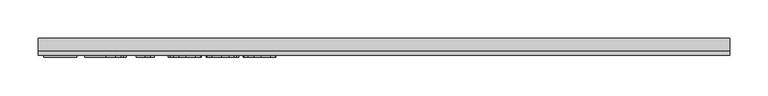
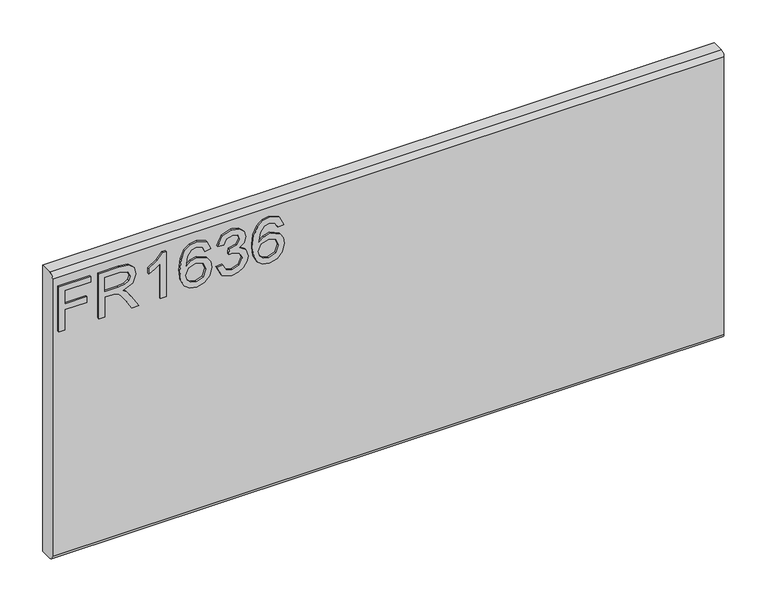
"""IFC4 building model written with IfcOpenShell, lengths in millimetres: furniture geometry."""

from ifc_helpers import new_model, si_unit, frame, origin, place, context, project, spatial, polyline, circle_curve, outline, extrude, source, transform, mapped, element, save
from ifc_brep_helpers import plane_surface, cylinder_surface, advanced_brep


def furniture_c8b4a873(model_context):
    return source(origin(), model_context, "Body", "SolidModel", [
        extrude(outline(polyline([(882.65, -443.8729953), (882.65, -435.8992757), (911.5547336, -435.8992757), (911.5547336, -405.9978271), (919.5284532, -405.9978271), (919.5284532, -435.8992757), (938.4660373, -435.8992757), (938.4660373, -401.0142524), (946.4397569, -401.0142524), (946.4397569, -443.8729953), (882.65, -443.8729953)])), frame((0.0, -15.0812439, 0.0), z_axis=(0.0, 1.0, 0.0), x_axis=(0.0, 0.0, 1.0)), (0.0, 0.0, 1.0), 2.38125),
        extrude(outline(polyline([(882.65, -390.0503879), (882.65, -382.0766683), (910.5580187, -382.0766683), (910.5580187, -372.4521395), (910.2776926, -367.8267592), (908.7592596, -364.0345703), (904.62445, -359.8218923), (895.8720468, -353.8260289), (882.65, -345.5252622), (882.65, -336.2589278), (899.936775, -346.8957452), (908.1440996, -353.3588187), (911.5547336, -357.890757), (917.4883023, -344.536334), (928.9816716, -340.2146403), (938.6295609, -342.8232302), (944.7188663, -349.8002349), (946.4397569, -362.5628584), (946.4397569, -390.0503879), (882.65, -390.0503879)]), holes=[polyline([(918.5317383, -382.0766683), (938.4660373, -382.0766683), (938.4660373, -362.2202376), (935.7094975, -351.5600597), (928.6857719, -348.1883599), (923.2739211, -349.9559716), (919.6608294, -355.1264304), (918.5317383, -364.2292412), (918.5317383, -382.0766683)])]), frame((0.0, -15.0812439, 0.0), z_axis=(0.0, 1.0, 0.0), x_axis=(0.0, 0.0, 1.0)), (0.0, 0.0, 1.0), 2.38125),
        extrude(outline(polyline([(882.65, -299.3493273), (946.4397569, -299.3493273), (946.4397569, -304.4886387), (937.9521062, -311.5824459), (930.4923177, -323.2704861), (922.9546609, -323.2704861), (926.9804549, -314.8762774), (932.3611582, -307.3230469), (882.65, -307.3230469), (882.65, -299.3493273)])), frame((0.0, -15.0812439, 0.0), z_axis=(0.0, 1.0, 0.0), x_axis=(0.0, 0.0, 1.0)), (0.0, 0.0, 1.0), 2.38125),
        extrude(outline(polyline([(929.4956028, -239.5464301), (941.938966, -245.4332778), (946.4397569, -258.0323777), (944.6215308, -267.2870318), (939.1668525, -274.4314534), (928.3081103, -279.6642069), (912.4268592, -281.4084581), (898.3015395, -279.837464), (888.8171738, -275.1244818), (883.4442572, -267.9197122), (881.653285, -258.873356), (884.355317, -248.4234227), (892.1421526, -241.1816656), (903.1449512, -238.5497152), (911.3172351, -239.9474522), (917.8309231, -244.1406631), (923.515313, -257.689757), (921.4362279, -266.403226), (915.0743833, -273.4347385), (929.2853582, -271.1687693), (936.5349021, -265.7257713), (938.4660373, -258.5307352), (935.1488454, -250.5414419), (928.4988878, -247.5201497), (929.4956028, -239.5464301)]), holes=[polyline([(903.2695406, -273.4347385), (912.15432, -269.4712392), (915.5415934, -259.8233499), (912.15432, -250.0508713), (902.8801988, -246.5234348), (893.1933754, -250.0975923), (889.6270047, -259.4963028), (891.3478953, -266.6835521), (896.3626174, -271.5892585), (903.2695406, -273.4347385)])]), frame((0.0, -15.0812439, 0.0), z_axis=(0.0, 1.0, 0.0), x_axis=(0.0, 0.0, 1.0)), (0.0, 0.0, 1.0), 2.38125),
        extrude(outline(polyline([(899.5941542, -231.5727105), (886.6524335, -225.2342264), (881.653285, -211.2490697), (883.1172101, -202.7263782), (887.5089854, -195.8155616), (894.0032063, -191.2369023), (901.7744681, -189.7106825), (912.1465331, -192.763122), (917.597318, -201.4532305), (922.8767925, -194.9122887), (930.2275653, -192.7008274), (938.2713664, -195.0290912), (944.2516562, -201.7569171), (946.4397569, -211.373659), (942.0012607, -224.0506273), (929.4956028, -230.5759955), (928.4988878, -222.6022759), (935.9742499, -218.6932845), (938.4660373, -211.093333), (935.9976105, -203.5868235), (929.7603552, -200.674547), (922.7210558, -204.6925541), (920.5251682, -215.0178981), (912.5514486, -215.9055973), (913.4235742, -210.3146494), (910.16089, -201.2507728), (901.9146312, -197.6844021), (893.162228, -201.2819202), (889.6270047, -210.9687436), (892.1966604, -219.1994288), (900.5908691, -223.5989909), (899.5941542, -231.5727105)])), frame((0.0, -15.0812439, 0.0), z_axis=(0.0, 1.0, 0.0), x_axis=(0.0, 0.0, 1.0)), (0.0, 0.0, 1.0), 2.38125),
        extrude(outline(polyline([(929.4956028, -141.8683648), (941.938966, -147.7552125), (946.4397569, -160.3543124), (944.6215308, -169.6089665), (939.1668525, -176.7533881), (928.3081103, -181.9861416), (912.4268592, -183.7303928), (898.3015395, -182.1593987), (888.8171738, -177.4464165), (883.4442572, -170.2416469), (881.653285, -161.1952907), (884.355317, -150.7453573), (892.1421526, -143.5036003), (903.1449512, -140.8716498), (911.3172351, -142.2693868), (917.8309231, -146.4625978), (923.515313, -160.0116917), (921.4362279, -168.7251607), (915.0743833, -175.7566732), (929.2853582, -173.490704), (936.5349021, -168.047706), (938.4660373, -160.8526699), (935.1488454, -152.8633766), (928.4988878, -149.8420844), (929.4956028, -141.8683648)]), holes=[polyline([(903.2695406, -175.7566732), (912.15432, -171.7931739), (915.5415934, -162.1452846), (912.15432, -152.372806), (902.8801988, -148.8453695), (893.1933754, -152.419527), (889.6270047, -161.8182375), (891.3478953, -169.0054867), (896.3626174, -173.9111931), (903.2695406, -175.7566732)])]), frame((0.0, -15.0812439, 0.0), z_axis=(0.0, 1.0, 0.0), x_axis=(0.0, 0.0, 1.0)), (0.0, 0.0, 1.0), 2.38125),
        advanced_brep(
        [(450.85, 9.5250061, 965.2), (450.85, -6.7309939, 965.2), (450.85, -12.6999939, 959.231), (450.85, -12.6999939, 564.769), (450.85, -6.7309939, 558.8), (450.85, 9.5250061, 558.8), (-450.85, 9.5250061, 965.2), (-450.85, 9.5250061, 558.8), (-450.85, -6.7309939, 558.8), (-450.85, -12.6999939, 564.769), (-450.85, -12.6999939, 959.2310121), (-450.85, -6.7309939, 965.2)],
        [
            (0, 1),
            (1, 2, circle_curve(frame((450.85, -6.7309939, 959.231), z_axis=(1.0, 0.0, 0.0), x_axis=(0.0, 1.0, 0.0)), 5.969)),
            (2, 3),
            (3, 4, circle_curve(frame((450.85, -6.7309939, 564.769), z_axis=(1.0, 0.0, 0.0), x_axis=(0.0, 1.0, 0.0)), 5.969)),
            (4, 5),
            (5, 0),
            (6, 7),
            (7, 8),
            (8, 9, circle_curve(frame((-450.85, -6.7309939, 564.769), z_axis=(-1.0, 0.0, 0.0), x_axis=(0.0, 1.0, 0.0)), 5.969)),
            (9, 10),
            (10, 11, circle_curve(frame((-450.85, -6.7309939, 959.231), z_axis=(-1.0, 0.0, 0.0), x_axis=(0.0, 1.0, 0.0)), 5.969)),
            (11, 6),
            (0, 6),
            (11, 1),
            (10, 2),
            (9, 3),
            (8, 4),
            (7, 5),
        ],
        [
            plane_surface(frame((450.85, -6.7309939, 965.2), z_axis=(1.0, 0.0, 0.0), x_axis=(0.0, -1.0, 0.0))),
            plane_surface(frame((-450.85, -6.7309939, 965.2), z_axis=(-1.0, 0.0, 0.0), x_axis=(0.0, 1.0, 0.0))),
            plane_surface(frame((450.85, 9.5250061, 965.2), z_axis=(0.0, 0.0, 1.0), x_axis=(-1.0, 0.0, 0.0))),
            cylinder_surface(frame((-450.85, -6.7309939, 959.231), z_axis=(1.0, 0.0, 0.0), x_axis=(0.0, 1.0, 0.0)), 5.969),
            plane_surface(frame((450.85, -12.6999939, 959.2310121), z_axis=(0.0, -1.0, 0.0), x_axis=(-1.0, 0.0, 0.0))),
            cylinder_surface(frame((-450.85, -6.7309939, 564.769), z_axis=(1.0, 0.0, 0.0), x_axis=(0.0, 1.0, 0.0)), 5.969),
            plane_surface(frame((450.85, -6.7309939, 558.8), z_axis=(0.0, 0.0, -1.0), x_axis=(-1.0, 0.0, 0.0))),
            plane_surface(frame((450.85, 9.5250061, 558.8), z_axis=(0.0, 1.0, 0.0), x_axis=(-1.0, 0.0, 0.0))),
        ],
        [
            (0, [[1, 2, 3, 4, 5, 6]]),
            (1, [[7, 8, 9, 10, 11, 12]]),
            (2, [[-1, 13, -12, 14]]),
            (3, [[-2, -14, -11, 15]]),
            (4, [[-3, -15, -10, 16]]),
            (5, [[-4, -16, -9, 17]]),
            (6, [[-5, -17, -8, 18]]),
            (7, [[-6, -18, -7, -13]]),
        ],
    ),
    ])


if __name__ == "__main__":
    model = new_model("IFC4")
    model_context = context("Model", 3, world=origin())
    ifc_project = project(units=[si_unit("LENGTHUNIT", "METRE", prefix="MILLI")], contexts=[model_context])
    site = spatial("IfcSite", under=ifc_project)
    building = spatial("IfcBuilding", under=site)
    placement = place(None, origin())
    furniture_shape = furniture_c8b4a873(model_context)
    element("IfcFurniture", 1, at=placement, inside=building, context=model_context, shape_type="MappedRepresentation", body=[
        mapped(furniture_shape, transform((0.0, 0.0, 0.0), x_axis=(1.0, 0.0, 0.0), y_axis=(0.0, 1.0, 0.0), z_axis=(0.0, 0.0, 1.0))),
    ])
    save(model, "model.ifc")
